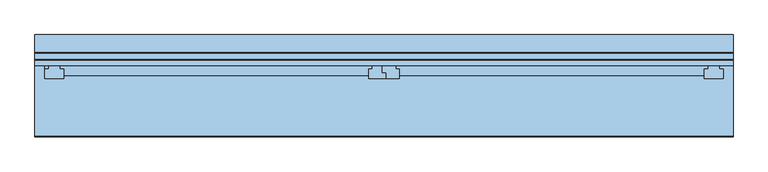
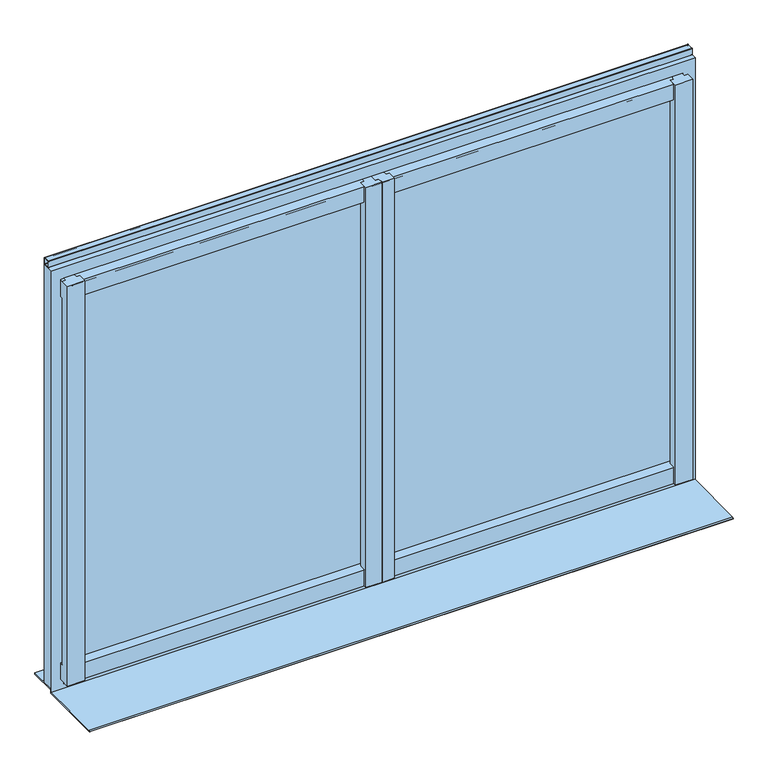
"""IFC4 building model written with IfcOpenShell, lengths in millimetres: window geometry."""

from ifc_helpers import new_model, si_unit, point, frame, frame_2d, origin, place, context, project, spatial, polyline, circle_curve, trimmed, segment, composite_curve, outline, extrude, faceted_brep, source, transform, mapped, element, save


def window_d28d7979(model_context):
    return source(origin(), model_context, "Body", "SolidModel", [
        extrude(outline(composite_curve([segment(polyline([(-4968.9639151, 5209.32), (-4950.9639151, 5209.32)]), True, "CONTINUOUS"), segment(trimmed(circle_curve(frame_2d((-4950.9639151, 5208.32)), 1.0), [point((-4950.9639151, 5209.32))], [point((-4949.9639151, 5208.32))], False, "CARTESIAN"), True, "CONTINUOUS"), segment(polyline([(-4949.9639151, 5208.32), (-4949.9639151, 5190.32)]), True, "CONTINUOUS"), segment(trimmed(circle_curve(frame_2d((-4950.9639151, 5190.32)), 1.0), [point((-4949.9639151, 5190.32))], [point((-4950.9639151, 5189.32))], False, "CARTESIAN"), True, "CONTINUOUS"), segment(polyline([(-4950.9639151, 5189.32), (-4968.9639151, 5189.32)]), True, "CONTINUOUS"), segment(trimmed(circle_curve(frame_2d((-4968.9639151, 5190.32)), 1.0), [point((-4968.9639151, 5189.32))], [point((-4969.9639151, 5190.32))], False, "CARTESIAN"), True, "CONTINUOUS"), segment(polyline([(-4969.9639151, 5190.32), (-4969.9639151, 5208.32)]), True, "CONTINUOUS"), segment(trimmed(circle_curve(frame_2d((-4968.9639151, 5208.32)), 1.0), [point((-4969.9639151, 5208.32))], [point((-4968.9639151, 5209.32))], False, "CARTESIAN"), True, "CONTINUOUS")], self_intersect=False), holes=[composite_curve([segment(trimmed(circle_curve(frame_2d((-4966.9639151, 5206.32)), 1.0), [point((-4966.9639151, 5207.32))], [point((-4967.9639151, 5206.32))], True, "CARTESIAN"), True, "CONTINUOUS"), segment(polyline([(-4967.9639151, 5206.32), (-4967.9639151, 5192.32)]), True, "CONTINUOUS"), segment(trimmed(circle_curve(frame_2d((-4966.9639151, 5192.32)), 1.0), [point((-4967.9639151, 5192.32))], [point((-4966.9639151, 5191.32))], True, "CARTESIAN"), True, "CONTINUOUS"), segment(polyline([(-4966.9639151, 5191.32), (-4952.9639151, 5191.32)]), True, "CONTINUOUS"), segment(trimmed(circle_curve(frame_2d((-4952.9639151, 5192.32)), 1.0), [point((-4952.9639151, 5191.32))], [point((-4951.9639151, 5192.32))], True, "CARTESIAN"), True, "CONTINUOUS"), segment(polyline([(-4951.9639151, 5192.32), (-4951.9639151, 5206.32)]), True, "CONTINUOUS"), segment(trimmed(circle_curve(frame_2d((-4952.9639151, 5206.32)), 1.0), [point((-4951.9639151, 5206.32))], [point((-4952.9639151, 5207.32))], True, "CARTESIAN"), True, "CONTINUOUS"), segment(polyline([(-4952.9639151, 5207.32), (-4966.9639151, 5207.32)]), True, "CONTINUOUS")], self_intersect=False)]), frame((7803.3630729, 0.0, 0.0), z_axis=(1.0, 0.0, 0.0), x_axis=(0.0, 1.0, 0.0)), (0.0, 0.0, 1.0), 1840.0),
        faceted_brep([(7829.3630729, -4969.9639151, 5164.32), (7829.3630729, -4980.9639151, 5164.32), (9607.3630729, -4980.9639151, 5164.32), (9607.3630729, -4969.9639151, 5164.32), (7829.3630729, -4980.9639151, 5154.32), (7839.3630729, -4980.9639151, 5154.32), (7869.3630729, -4980.9639151, 5154.32), (8692.8630729, -4980.9639151, 5154.32), (8717.8630729, -4980.9639151, 5154.32), (8718.8630729, -4980.9639151, 5154.32), (8753.8630729, -4980.9639151, 5154.32), (9577.3630729, -4980.9639151, 5154.32), (9607.3630729, -4980.9639151, 5154.32), (7829.3630729, -4993.9639151, 5152.9751724), (7839.3630729, -4993.9639151, 5152.9751724), (7869.3630729, -4993.9381503, 5152.9778377), (7879.3630729, -4993.9381503, 5152.9778377), (7879.3630729, -5009.9639151, 5151.32), (8682.8630729, -5009.9639151, 5151.32), (8682.8630729, -4993.9381503, 5152.9778377), (8692.8630729, -4993.9381503, 5152.9778377), (8717.8630729, -5003.9381503, 5151.943355), (8727.8630729, -5003.9381503, 5151.943355), (8727.8630729, -5009.9639151, 5151.32), (8728.8630729, -5009.9639151, 5151.32), (8728.8630729, -5002.9123855, 5152.0494686), (8718.8630729, -5002.9123855, 5152.0494686), (8753.8630729, -4993.9381503, 5152.9778377), (8763.8630729, -4993.9381503, 5152.9778377), (8763.8630729, -5009.9639151, 5151.32), (9567.3630729, -5009.9639151, 5151.32), (9567.3630729, -4993.9381503, 5152.9778377), (9577.3630729, -4993.9381503, 5152.9778377), (8763.8630729, -5009.9639151, 5104.32), (9567.3630729, -5009.9639151, 5104.32), (8727.8630729, -5009.9639151, 5104.32), (8728.8630729, -5009.9639151, 5104.32), (7879.3630729, -5009.9639151, 5104.32), (8682.8630729, -5009.9639151, 5104.32), (7829.3630729, -4993.9639151, 5104.32), (7829.3630729, -4983.9639151, 5104.32), (7839.3630729, -4983.9639151, 5104.32), (7839.3630729, -4993.9639151, 5104.32), (8763.8630729, -4993.9381503, 5104.32), (8753.8630729, -4993.9381503, 5104.32), (8753.8630729, -4983.9639151, 5104.32), (9577.3630729, -4983.9639151, 5104.32), (9577.3630729, -4993.9381503, 5104.32), (9567.3630729, -4993.9381503, 5104.32), (8727.8630729, -5003.9381503, 5104.32), (8717.8630729, -5003.9381503, 5104.32), (8717.8630729, -4983.9639151, 5104.32), (8718.8630729, -4983.9639151, 5104.32), (8718.8630729, -5002.9123855, 5104.32), (8728.8630729, -5002.9123855, 5104.32), (7879.3630729, -4993.9381503, 5104.32), (7869.3630729, -4993.9381503, 5104.32), (7869.3630729, -4983.9639151, 5104.32), (8692.8630729, -4983.9639151, 5104.32), (8692.8630729, -4993.9381503, 5104.32), (8682.8630729, -4993.9381503, 5104.32), (7829.3630729, -4983.9639151, 5114.32), (7839.3630729, -4983.9639151, 5114.32), (8753.8630729, -4983.9639151, 5114.32), (9577.3630729, -4983.9639151, 5114.32), (8717.8630729, -4983.9639151, 5114.32), (8718.8630729, -4983.9639151, 5114.32), (7869.3630729, -4983.9639151, 5114.32), (8692.8630729, -4983.9639151, 5114.32), (7829.3630729, -4969.9639151, 5114.32), (9607.3630729, -4969.9639151, 5114.32), (9607.3630729, -4978.9639151, 5114.32), (9577.3630729, -4978.9639151, 5114.32), (8753.8630729, -4978.9639151, 5114.32), (8718.8630729, -4978.9639151, 5114.32), (8717.8630729, -4978.9639151, 5114.32), (8692.8630729, -4978.9639151, 5114.32), (7869.3630729, -4978.9639151, 5114.32), (7839.3630729, -4978.9639151, 5114.32), (7829.3630729, -4983.9639151, 3994.7393506), (7829.3630729, -4993.9639151, 3993.9701198), (7839.3630729, -4993.9639151, 3993.9701198), (7839.3630729, -4983.9639151, 3994.7393506), (9577.3630729, -4983.9639151, 3994.7393506), (8753.8630729, -4983.9639151, 3994.7393506), (8753.8630729, -4993.9381503, 3993.9721017), (8763.8630729, -4993.9381503, 3993.9721017), (8763.8630729, -5009.9639151, 3992.7393506), (9567.3630729, -5009.9639151, 3992.7393506), (9567.3630729, -4993.9381503, 3993.9721017), (9577.3630729, -4993.9381503, 3993.9721017), (8718.8630729, -4983.9639151, 3994.7393506), (8717.8630729, -4983.9639151, 3994.7393506), (8717.8630729, -5003.9381503, 3993.2028709), (8727.8630729, -5003.9381503, 3993.2028709), (8727.8630729, -5009.9639151, 3992.7393506), (8728.8630729, -5009.9639151, 3992.7393506), (8728.8630729, -5002.9123855, 3993.2817759), (8718.8630729, -5002.9123855, 3993.2817759), (8692.8630729, -4983.9639151, 3994.7393506), (7869.3630729, -4983.9639151, 3994.7393506), (7869.3630729, -4993.9381503, 3993.9721017), (7879.3630729, -4993.9381503, 3993.9721017), (7879.3630729, -5009.9639151, 3992.7393506), (8682.8630729, -5009.9639151, 3992.7393506), (8682.8630729, -4993.9381503, 3993.9721017), (8692.8630729, -4993.9381503, 3993.9721017), (8763.8630729, -5009.9639151, 3944.7393506), (9567.3630729, -5009.9639151, 3944.7393506), (8727.8630729, -5009.9639151, 3944.7393506), (8728.8630729, -5009.9639151, 3944.7393506), (7879.3630729, -5009.9639151, 3944.7393506), (8682.8630729, -5009.9639151, 3944.7393506), (7829.3630729, -4984.9639151, 3944.7393506), (7829.3630729, -4984.9639151, 3954.7393506), (7839.3630729, -4984.9639151, 3954.7393506), (7839.3630729, -4984.9639151, 3944.7393506), (8692.8630729, -4984.9639151, 3944.7393506), (7869.3630729, -4984.9639151, 3944.7393506), (7869.3630729, -4984.9639151, 3954.7393506), (8692.8630729, -4984.9639151, 3954.7393506), (8718.8630729, -4984.9639151, 3944.7393506), (8717.8630729, -4984.9639151, 3944.7393506), (8717.8630729, -4984.9639151, 3954.7393506), (8718.8630729, -4984.9639151, 3954.7393506), (9577.3630729, -4984.9639151, 3944.7393506), (8753.8630729, -4984.9639151, 3944.7393506), (8753.8630729, -4984.9639151, 3954.7393506), (9577.3630729, -4984.9639151, 3954.7393506), (7829.3630729, -4969.9639151, 3954.7393506), (9607.3630729, -4969.9639151, 3954.7393506), (9607.3630729, -4978.9639151, 3954.7393506), (9577.3630729, -4978.9639151, 3954.7393506), (8753.8630729, -4978.9639151, 3954.7393506), (8718.8630729, -4978.9639151, 3954.7393506), (8717.8630729, -4978.9639151, 3954.7393506), (8692.8630729, -4978.9639151, 3954.7393506), (7869.3630729, -4978.9639151, 3954.7393506), (7839.3630729, -4978.9639151, 3954.7393506), (7829.3630729, -4969.9639151, 3984.7393506), (9607.3630729, -4969.9639151, 3984.7393506), (7829.3630729, -4983.9639151, 3984.7393506), (7839.3630729, -4983.9639151, 3984.7393506), (7839.3630729, -4978.9639151, 3984.7393506), (7869.3630729, -4978.9639151, 3984.7393506), (7869.3630729, -4983.9639151, 3984.7393506), (8692.8630729, -4983.9639151, 3984.7393506), (8692.8630729, -4978.9639151, 3984.7393506), (8717.8630729, -4978.9639151, 3984.7393506), (8717.8630729, -4983.9639151, 3984.7393506), (8718.8630729, -4983.9639151, 3984.7393506), (8718.8630729, -4978.9639151, 3984.7393506), (8753.8630729, -4978.9639151, 3984.7393506), (8753.8630729, -4983.9639151, 3984.7393506), (9577.3630729, -4983.9639151, 3984.7393506), (9577.3630729, -4978.9639151, 3984.7393506), (9607.3630729, -4978.9639151, 3984.7393506), (9617.3630729, -4993.9639151, 5154.32), (9607.3630729, -4993.9639151, 5154.32), (9577.3630729, -4993.9381503, 5154.32), (9567.3630729, -4993.9381503, 5154.32), (9567.3630729, -5018.9639151, 5154.32), (9617.3630729, -5018.9639151, 5154.32), (8718.8630729, -5002.9123855, 5154.32), (8728.8630729, -5002.9123855, 5154.32), (8728.8630729, -5018.9639151, 5154.32), (8763.8630729, -5018.9639151, 5154.32), (8763.8630729, -4993.9381503, 5154.32), (8753.8630729, -4993.9381503, 5154.32), (8727.8630729, -5018.9639151, 5154.32), (8727.8630729, -5003.9381503, 5154.32), (8717.8630729, -5003.9381503, 5154.32), (8692.8630729, -4993.9381503, 5154.32), (8682.8630729, -4993.9381503, 5154.32), (8682.8630729, -5018.9639151, 5154.32), (7829.3630729, -4993.9639151, 5154.32), (7829.3630729, -5018.9639151, 5154.32), (7879.3630729, -5018.9639151, 5154.32), (7879.3630729, -4993.9381503, 5154.32), (7869.3630729, -4993.9381503, 5154.32), (7839.3630729, -4993.9639151, 5154.32), (9617.3630729, -4993.9639151, 3944.7393506), (9617.3630729, -5018.9639151, 3944.7393506), (9567.3630729, -5018.9639151, 3944.7393506), (8763.8630729, -5018.9639151, 3944.7393506), (8728.8630729, -5018.9639151, 3944.7393506), (8727.8630729, -5018.9639151, 3944.7393506), (8682.8630729, -5018.9639151, 3944.7393506), (7879.3630729, -5018.9639151, 3944.7393506), (7829.3630729, -5018.9639151, 3944.7393506), (7839.3630729, -4978.9639151, 3944.7393506), (7869.3630729, -4978.9639151, 3944.7393506), (8692.8630729, -4978.9639151, 3944.7393506), (8717.8630729, -4978.9639151, 3944.7393506), (8718.8630729, -4978.9639151, 3944.7393506), (8753.8630729, -4978.9639151, 3944.7393506), (9577.3630729, -4978.9639151, 3944.7393506), (9607.3630729, -4978.9639151, 3944.7393506), (9607.3630729, -4993.9639151, 3944.7393506)], [[[0, 1, 2, 3]], [[1, 4, 5, 6, 7, 8, 9, 10, 11, 12, 2]], [[5, 4, 13, 14]], [[7, 6, 15, 16, 17, 18, 19, 20]], [[9, 8, 21, 22, 23, 24, 25, 26]], [[11, 10, 27, 28, 29, 30, 31, 32]], [[30, 29, 33, 34]], [[24, 23, 35, 36]], [[18, 17, 37, 38]], [[39, 40, 41, 42]], [[34, 33, 43, 44, 45, 46, 47, 48]], [[36, 35, 49, 50, 51, 52, 53, 54]], [[38, 37, 55, 56, 57, 58, 59, 60]], [[40, 61, 62, 41]], [[46, 45, 63, 64]], [[52, 51, 65, 66]], [[58, 57, 67, 68]], [[61, 69, 70, 71, 72, 64, 63, 73, 74, 66, 65, 75, 76, 68, 67, 77, 78, 62]], [[69, 0, 3, 70]], [[79, 80, 81, 82]], [[83, 84, 85, 86, 87, 88, 89, 90]], [[91, 92, 93, 94, 95, 96, 97, 98]], [[99, 100, 101, 102, 103, 104, 105, 106]], [[107, 108, 88, 87]], [[109, 110, 96, 95]], [[111, 112, 104, 103]], [[113, 114, 115, 116]], [[117, 118, 119, 120]], [[121, 122, 123, 124]], [[125, 126, 127, 128]], [[114, 129, 130, 131, 132, 128, 127, 133, 134, 124, 123, 135, 136, 120, 119, 137, 138, 115]], [[129, 139, 140, 130]], [[139, 141, 142, 143, 144, 145, 146, 147, 148, 149, 150, 151, 152, 153, 154, 155, 156, 140]], [[141, 79, 82, 142]], [[84, 83, 154, 153]], [[92, 91, 150, 149]], [[100, 99, 146, 145]], [[157, 158, 12, 11, 159, 160, 161, 162]], [[163, 164, 165, 166, 167, 168, 10, 9]], [[169, 170, 171, 8, 7, 172, 173, 174]], [[175, 176, 177, 178, 179, 6, 5, 180]], [[181, 182, 183, 108, 107, 184, 185, 110, 109, 186, 187, 112, 111, 188, 189, 113, 116, 190, 191, 118, 117, 192, 193, 122, 121, 194, 195, 126, 125, 196, 197, 198]], [[198, 158, 157, 181]], [[12, 158, 198, 197, 131, 130, 140, 156, 71, 70, 3, 2]], [[197, 196, 132, 131]], [[71, 156, 155, 72]], [[159, 11, 32]], [[196, 125, 128, 132]], [[72, 155, 154, 83, 90, 47, 46, 64]], [[160, 159, 32, 31]], [[47, 90, 89, 48]], [[161, 160, 31, 30, 34, 48, 89, 88, 108, 183]], [[162, 161, 183, 182]], [[157, 162, 182, 181]], [[195, 194, 134, 133]], [[73, 152, 151, 74]], [[163, 9, 26]], [[194, 121, 124, 134]], [[74, 151, 150, 91, 98, 53, 52, 66]], [[164, 163, 26, 25]], [[53, 98, 97, 54]], [[165, 164, 25, 24, 36, 54, 97, 96, 110, 185]], [[166, 165, 185, 184]], [[167, 166, 184, 107, 87, 86, 43, 33, 29, 28]], [[168, 167, 28, 27]], [[43, 86, 85, 44]], [[10, 168, 27]], [[126, 195, 133, 127]], [[152, 73, 63, 45, 44, 85, 84, 153]], [[170, 169, 186, 109, 95, 94, 49, 35, 23, 22]], [[171, 170, 22, 21]], [[49, 94, 93, 50]], [[8, 171, 21]], [[122, 193, 135, 123]], [[50, 93, 92, 149, 148, 75, 65, 51]], [[193, 192, 136, 135]], [[75, 148, 147, 76]], [[172, 7, 20]], [[192, 117, 120, 136]], [[76, 147, 146, 99, 106, 59, 58, 68]], [[173, 172, 20, 19]], [[59, 106, 105, 60]], [[174, 173, 19, 18, 38, 60, 105, 104, 112, 187]], [[169, 174, 187, 186]], [[176, 175, 13, 4, 1, 0, 69, 61, 40, 39, 80, 79, 141, 139, 129, 114, 113, 189]], [[177, 176, 189, 188]], [[178, 177, 188, 111, 103, 102, 55, 37, 17, 16]], [[179, 178, 16, 15]], [[55, 102, 101, 56]], [[6, 179, 15]], [[118, 191, 137, 119]], [[56, 101, 100, 145, 144, 77, 67, 57]], [[191, 190, 138, 137]], [[77, 144, 143, 78]], [[180, 5, 14]], [[190, 116, 115, 138]], [[78, 143, 142, 82, 81, 42, 41, 62]], [[175, 180, 14, 13]], [[80, 39, 42, 81]]]),
        faceted_brep([(9608.3630729, -4984.4639151, 5154.82), (7838.3630729, -4984.4639151, 5154.82), (7838.3630729, -4981.9639151, 5154.82), (7806.3630729, -4981.9639151, 5154.82), (7806.3630729, -4981.4639151, 5154.82), (9640.3630729, -4981.4639151, 5154.82), (9640.3630729, -4981.9639151, 5154.82), (9608.3630729, -4981.9639151, 5154.82), (7806.3630729, -4981.4639151, 5186.32), (9640.3630729, -4981.4639151, 5186.32), (7806.3630729, -4949.9639151, 5186.32), (9640.3630729, -4949.9639151, 5186.32), (9643.3630729, -4949.9639151, 5189.32), (7803.3630729, -4949.9639151, 5189.32), (7803.3630729, -4984.4639151, 5189.32), (9643.3630729, -4984.4639151, 5189.32), (7838.3630729, -4984.4639151, 3927.7393506), (7838.3630729, -4981.9639151, 3927.7393506), (7806.3630729, -4981.9639151, 3927.7393506), (7806.3630729, -4974.9639151, 3954.2393506), (7806.3630729, -4952.9639151, 3954.2393506), (7806.3630729, -4952.9639151, 3959.2393506), (7806.3630729, -4949.9639151, 3959.2393506), (7806.3630729, -4952.9639151, 3927.7393506), (7806.3630729, -4952.9639151, 3951.2393506), (7806.3630729, -4974.9639151, 3951.2393506), (9640.3630729, -4952.9639151, 3954.2393506), (9640.3630729, -4974.9639151, 3954.2393506), (9640.3630729, -4974.9639151, 3951.2393506), (9640.3630729, -4952.9639151, 3951.2393506), (9640.3630729, -4952.9639151, 3927.7393506), (9640.3630729, -4981.9639151, 3927.7393506), (9640.3630729, -4949.9639151, 3959.2393506), (9640.3630729, -4952.9639151, 3959.2393506), (9608.3630729, -4981.9639151, 3927.7393506), (9608.3630729, -4984.4639151, 3927.7393506), (7803.3630729, -4949.9639151, 3924.5631649), (7803.3630729, -4981.4639151, 3924.5631649), (7803.3630729, -4981.4639151, 3915.2207232), (7803.3630729, -4984.4639151, 3915.1907232), (9643.3630729, -4984.4639151, 3915.1907232), (9643.3630729, -4981.4639151, 3915.2207232), (9643.3630729, -4981.4639151, 3924.5631649), (9643.3630729, -4949.9639151, 3924.5631649)], [[[0, 1, 2, 3, 4, 5, 6, 7]], [[5, 4, 8, 9]], [[10, 11, 9, 8]], [[12, 13, 14, 15]], [[16, 17, 2, 1]], [[17, 18, 3, 2]], [[19, 20, 21, 22, 10, 8, 4, 3, 18, 23, 24, 25]], [[26, 27, 28, 29, 30, 31, 6, 5, 9, 11, 32, 33]], [[31, 34, 7, 6]], [[34, 35, 0, 7]], [[13, 36, 37, 38, 39, 14]], [[15, 40, 41, 42, 43, 12]], [[26, 20, 19, 27]], [[27, 19, 25, 28]], [[28, 25, 24, 29]], [[29, 24, 23, 30]], [[30, 23, 18, 17, 16, 35, 34, 31]], [[39, 40, 15, 14], [16, 1, 0, 35]], [[39, 38, 41, 40]], [[38, 37, 42, 41]], [[37, 36, 43, 42]], [[43, 36, 13, 12], [32, 11, 10, 22]], [[32, 22, 21, 33]], [[20, 26, 33, 21]]]),
        extrude(outline(composite_curve([segment(polyline([(-4979.9639151, 3984.7393506), (-4979.9639151, 3994.7393506), (-4971.9629757, 3994.7393506)]), True, "CONTINUOUS"), segment(trimmed(circle_curve(frame_2d((-4971.9629757, 3992.7393506)), 2.0), [point((-4971.9629757, 3994.7393506))], [point((-4969.9639151, 3992.6780575))], False, "CARTESIAN"), True, "CONTINUOUS"), segment(polyline([(-4969.9639151, 3992.6780575), (-4969.9639151, 3986.6780575)]), True, "CONTINUOUS"), segment(trimmed(circle_curve(frame_2d((-4971.9629757, 3986.7393506)), 2.0), [point((-4969.9639151, 3986.6780575))], [point((-4971.9629757, 3984.7393506))], False, "CARTESIAN"), True, "CONTINUOUS"), segment(polyline([(-4971.9629757, 3984.7393506), (-4979.9639151, 3984.7393506)]), True, "CONTINUOUS")], self_intersect=False)), frame((7869.3630729, 0.0, 0.0), z_axis=(1.0, 0.0, 0.0), x_axis=(0.0, 1.0, 0.0)), (0.0, 0.0, 1.0), 1708.0),
        extrude(outline(composite_curve([segment(polyline([(-4979.9639151, 5114.32), (-4971.9629757, 5114.32)]), True, "CONTINUOUS"), segment(trimmed(circle_curve(frame_2d((-4971.9629757, 5112.32)), 2.0), [point((-4971.9629757, 5114.32))], [point((-4969.9639151, 5112.3812931))], False, "CARTESIAN"), True, "CONTINUOUS"), segment(polyline([(-4969.9639151, 5112.3812931), (-4969.9639151, 5106.3812931)]), True, "CONTINUOUS"), segment(trimmed(circle_curve(frame_2d((-4971.9629757, 5106.32)), 2.0), [point((-4969.9639151, 5106.3812931))], [point((-4971.9629757, 5104.32))], False, "CARTESIAN"), True, "CONTINUOUS"), segment(polyline([(-4971.9629757, 5104.32), (-4979.9639151, 5104.32), (-4979.9639151, 5114.32)]), True, "CONTINUOUS")], self_intersect=False)), frame((7869.3630729, 0.0, 0.0), z_axis=(1.0, 0.0, 0.0), x_axis=(0.0, 1.0, 0.0)), (0.0, 0.0, 1.0), 1708.0),
        extrude(outline(polyline([(9643.3630729, -4902.9639151), (9643.3630729, -4980.9639151), (7803.3630729, -4980.9639151), (7803.3630729, -4902.9639151), (9643.3630729, -4902.9639151)])), frame((0.0, 0.0, 3919.5659965), z_axis=(0.0, 0.0, 1.0), x_axis=(1.0, 0.0, 0.0)), (0.0, 0.0, 1.0), 4.9971684),
        extrude(outline(composite_curve([segment(polyline([(-4981.4639151, 3914.99215), (-4981.4639151, 3909.32), (-5172.9639151, 3909.32), (-5172.9639151, 3910.107)]), True, "CONTINUOUS"), segment(trimmed(circle_curve(frame_2d((-5169.9639151, 3910.107)), 3.0), [point((-5172.9639151, 3910.107))], [point((-5169.9939136, 3913.10685))], False, "CARTESIAN"), True, "CONTINUOUS"), segment(polyline([(-5169.9939136, 3913.10685), (-4981.4639151, 3914.99215)]), True, "CONTINUOUS")], self_intersect=False)), frame((7803.3630729, 0.0, 0.0), z_axis=(1.0, 0.0, 0.0), x_axis=(0.0, 1.0, 0.0)), (0.0, 0.0, 1.0), 1840.0),
        extrude(outline(polyline([(9607.3630729, -4979.9639151), (9607.3630729, -4983.9639151), (7839.3630729, -4983.9639151), (7839.3630729, -4979.9639151), (9607.3630729, -4979.9639151)])), frame((0.0, 0.0, 3986.7393506), z_axis=(0.0, 0.0, 1.0), x_axis=(1.0, 0.0, 0.0)), (0.0, 0.0, 1.0), 1125.5806494),
    ])


if __name__ == "__main__":
    model = new_model("IFC4")
    model_context = context("Model", 3, world=origin())
    ifc_project = project(units=[si_unit("LENGTHUNIT", "METRE", prefix="MILLI")], contexts=[model_context])
    site = spatial("IfcSite", under=ifc_project)
    building = spatial("IfcBuilding", under=site)
    placement = place(None, origin())
    window_shape = window_d28d7979(model_context)
    element("IfcWindow", 1, at=placement, inside=building, context=model_context, shape_type="MappedRepresentation", body=[
        mapped(window_shape, transform((0.0, 0.0, 0.0), x_axis=(1.0, 0.0, 0.0), y_axis=(0.0, 1.0, 0.0), z_axis=(0.0, 0.0, 1.0))),
    ])
    save(model, "model.ifc")
